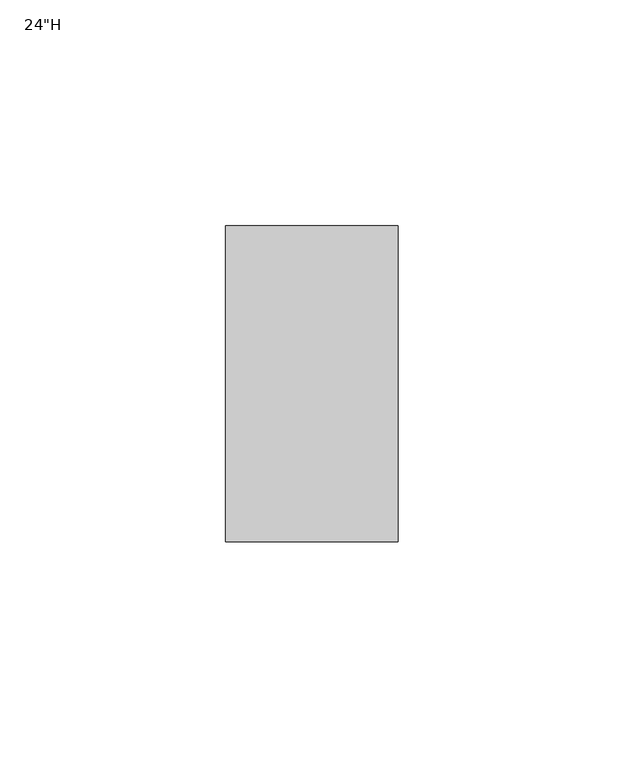
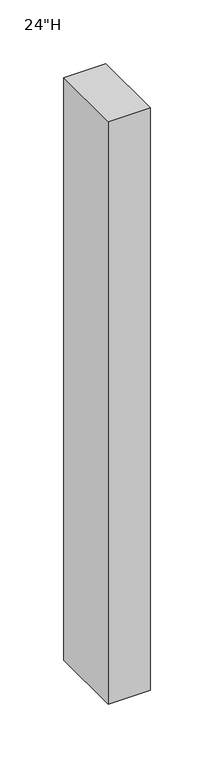
"""IFC4 building model written with IfcOpenShell, lengths in millimetres: furniture geometry."""

from ifc_helpers import new_model, si_unit, frame, origin, place, context, project, spatial, polyline, outline, extrude, source, transform, mapped, element, save


def furniture_b5de621f(model_context):
    return source(origin(), model_context, "Body", "SweptSolid", [
        extrude(outline(polyline([(-19.05, 25.4), (19.05, 25.4), (19.05, -44.45), (-19.05, -44.45), (-19.05, 25.4)])), frame((0.0, 0.0, 527.1492187), z_axis=(0.0, 0.0, 1.0), x_axis=(1.0, 0.0, 0.0)), (0.0, 0.0, 1.0), 559.196875),
    ])


if __name__ == "__main__":
    model = new_model("IFC4")
    model_context = context("Model", 3, world=origin())
    ifc_project = project(units=[si_unit("LENGTHUNIT", "METRE", prefix="MILLI")], contexts=[model_context])
    site = spatial("IfcSite", under=ifc_project)
    building = spatial("IfcBuilding", under=site)
    placement = place(None, origin())
    furniture_shape = furniture_b5de621f(model_context)
    element("IfcFurniture", 1, ObjectType="24\"H", at=placement, inside=building, context=model_context, shape_type="MappedRepresentation", body=[
        mapped(furniture_shape, transform((0.0, 0.0, 0.0), x_axis=(1.0, 0.0, 0.0), y_axis=(0.0, 1.0, 0.0), z_axis=(0.0, 0.0, 1.0))),
    ])
    save(model, "model.ifc")
